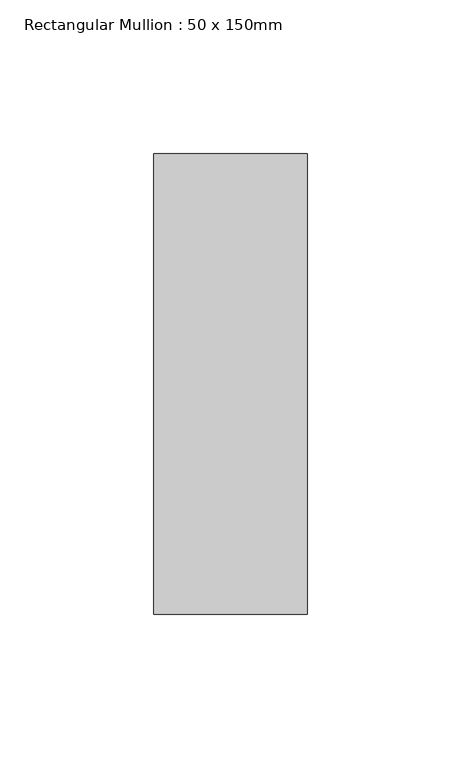
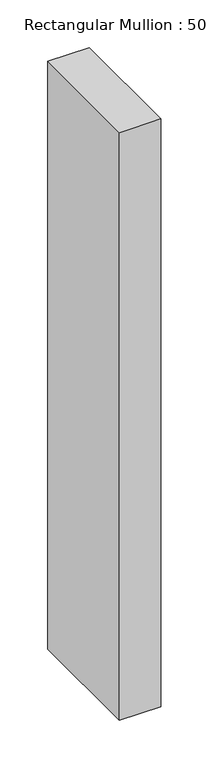
"""IFC4 building model written with IfcOpenShell, lengths in millimetres: member geometry, Rectangular Mullion : 50 x 150mm."""

from ifc_helpers import new_model, si_unit, frame, origin, place, context, project, spatial, polyline, outline, extrude, source, transform, mapped, element, save


def rectangular_mullion_50_x_150mm_49e4c79a(model_context):
    return source(origin(), model_context, "Body", "SweptSolid", [
        extrude(outline(polyline([(25.0, 75.0), (25.0, -75.0), (-25.0, -75.0), (-25.0, 75.0), (25.0, 75.0)])), frame((0.0, 0.0, -750.694024), z_axis=(0.0, 0.0, 1.0), x_axis=(1.0, 0.0, 0.0)), (0.0, 0.0, 1.0), 750.694024),
    ])


if __name__ == "__main__":
    model = new_model("IFC4")
    model_context = context("Model", 3, world=origin())
    ifc_project = project(units=[si_unit("LENGTHUNIT", "METRE", prefix="MILLI")], contexts=[model_context])
    site = spatial("IfcSite", under=ifc_project)
    building = spatial("IfcBuilding", under=site)
    placement = place(None, origin())
    rectangular_mullion_50_x_150mm_shape = rectangular_mullion_50_x_150mm_49e4c79a(model_context)
    element("IfcMember", 1, ObjectType="Rectangular Mullion : 50 x 150mm", at=placement, inside=building, context=model_context, shape_type="MappedRepresentation", body=[
        mapped(rectangular_mullion_50_x_150mm_shape, transform((0.0, 0.0, 0.0), x_axis=(1.0, 0.0, 0.0), y_axis=(0.0, 1.0, 0.0), z_axis=(0.0, 0.0, 1.0))),
    ])
    save(model, "model.ifc")
